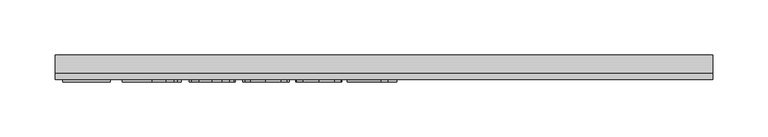
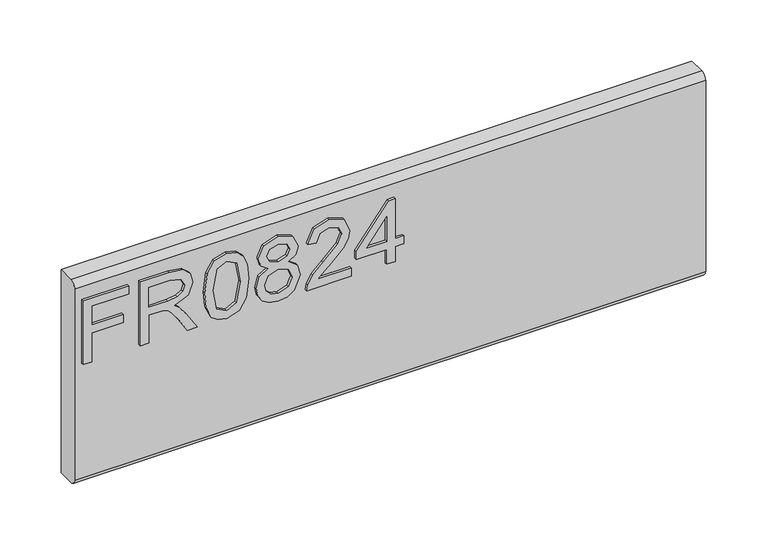
"""IFC4 building model written with IfcOpenShell, lengths in millimetres: furniture geometry."""

import ifcopenshell
import ifcopenshell.guid

model = None  # the IFC model being written
_history = None  # IfcOwnerHistory: only IFC2X3 demands one
_inside = {}  # id of a spatial element -> (the spatial element, [elements in it])
_under = {}  # id of a project, library or spatial element -> (it, [spatial elements below it])
_declared = {}  # id of a project -> (the project, [libraries it declares])
_typed = {}  # id of a type object -> (the type object, [elements of that type])
_made_of = {}  # id of a material, layer set ... -> (it, [elements and type objects made of it])


def new_model(schema):
    """Start an empty IFC model of exactly this schema.

    Asked for "IFC4X3", IfcOpenShell would pick the latest addendum, in which some entities
    have other attributes; the version numbers below select the first issue.
    IFC2X3 requires an IfcOwnerHistory on every rooted entity: one is made here for all.
    """
    global model, _history
    if schema == "IFC4X3":
        model = ifcopenshell.file(schema_version=(4, 3, 0, 0))
    else:
        model = ifcopenshell.file(schema=schema)
    _inside.clear()
    _under.clear()
    _declared.clear()
    _typed.clear()
    _made_of.clear()
    _history = None
    if model.schema == "IFC2X3":
        org = make("IfcOrganization", Name="unknown")
        user = make(
            "IfcPersonAndOrganization",
            ThePerson=make("IfcPerson", FamilyName="unknown"),
            TheOrganization=org,
        )
        app = make(
            "IfcApplication",
            ApplicationDeveloper=org,
            Version="unknown",
            ApplicationFullName="unknown",
            ApplicationIdentifier="unknown",
        )
        _history = make(
            "IfcOwnerHistory",
            OwningUser=user,
            OwningApplication=app,
            ChangeAction="ADDED",
            CreationDate=0,
        )
    return model


def make(cls, **values):
    """One entity of the class cls with the attributes given. An attribute that is None is left unset."""
    return model.create_entity(
        cls, **{name: value for name, value in values.items() if value is not None}
    )


def rooted(cls, **values):
    """An entity with a GlobalId (a new one), such as an element, a storey or a relation."""
    return make(cls, GlobalId=ifcopenshell.guid.new(), OwnerHistory=_history, **values)


def si_unit(unit_type, name, prefix=None):
    """IfcSIUnit, for example si_unit("LENGTHUNIT", "METRE", prefix="MILLI")."""
    return make("IfcSIUnit", UnitType=unit_type, Prefix=prefix, Name=name)


def assignment(units):
    """IfcUnitAssignment: the units of a project."""
    return None if units is None else make("IfcUnitAssignment", Units=units)


def point(xyz):
    """IfcCartesianPoint."""
    return None if xyz is None else make("IfcCartesianPoint", Coordinates=xyz)


def direction(xyz):
    """IfcDirection."""
    return None if xyz is None else make("IfcDirection", DirectionRatios=xyz)


def frame(location, z_axis=None, x_axis=None):
    """IfcAxis2Placement3D, a coordinate frame: its origin and axes. An axis left out is left unset."""
    return make(
        "IfcAxis2Placement3D",
        Location=point(location),
        Axis=direction(z_axis),
        RefDirection=direction(x_axis),
    )


def origin():
    """The frame at (0, 0, 0) with its axes left unset."""
    return frame((0.0, 0.0, 0.0))


def place(relative_to, where):
    """IfcLocalPlacement: puts the frame where relative to a parent placement (None: the world)."""
    return make(
        "IfcLocalPlacement", PlacementRelTo=relative_to, RelativePlacement=where
    )


def context(
    kind, dimensions, precision=None, world=None, true_north=None, identifier=None
):
    """IfcGeometricRepresentationContext, for example the 3D "Model" context."""
    return make(
        "IfcGeometricRepresentationContext",
        ContextIdentifier=identifier,
        ContextType=kind,
        CoordinateSpaceDimension=dimensions,
        Precision=precision,
        WorldCoordinateSystem=world,
        TrueNorth=true_north,
    )


def project(units=None, contexts=None):
    """IfcProject with its units and contexts."""
    return rooted(
        "IfcProject",
        Name="project",
        RepresentationContexts=contexts,
        UnitsInContext=assignment(units),
    )


def spatial(cls, under=None, at=None, **own):
    """A site, building, storey or space (cls), placed at a placement, below another one or the project."""
    s = rooted(cls, ObjectPlacement=at, **own)
    if under is not None:
        _under.setdefault(under.id(), (under, []))[1].append(s)
    return s


def polyline(points):
    """IfcPolyline through the points."""
    return make("IfcPolyline", Points=[point(p) for p in points])


def circle_curve(where, radius):
    """IfcCircle in the frame where."""
    return make("IfcCircle", Position=where, Radius=radius)


def outline(outer, holes=None, kind="AREA"):
    """IfcArbitraryClosedProfileDef: a profile drawn as a closed curve; with holes, ...WithVoids."""
    if holes is None:
        return make("IfcArbitraryClosedProfileDef", ProfileType=kind, OuterCurve=outer)
    return make(
        "IfcArbitraryProfileDefWithVoids",
        ProfileType=kind,
        OuterCurve=outer,
        InnerCurves=holes,
    )


def extrude(swept, where, along, depth):
    """IfcExtrudedAreaSolid: the profile swept, set in the frame where, extruded along a direction by depth."""
    return make(
        "IfcExtrudedAreaSolid",
        SweptArea=swept,
        Position=where,
        ExtrudedDirection=direction(along),
        Depth=depth,
    )


def shape(context_of_items, identifier, shape_type, items):
    """IfcShapeRepresentation: the items that make up one representation, for example the "Body"."""
    return make(
        "IfcShapeRepresentation",
        ContextOfItems=context_of_items,
        RepresentationIdentifier=identifier,
        RepresentationType=shape_type,
        Items=items,
    )


def source(mapping_origin, context_of_items, identifier, shape_type, items):
    """IfcRepresentationMap: a shape defined once, which mapped items show again and again."""
    return make(
        "IfcRepresentationMap",
        MappingOrigin=mapping_origin,
        MappedRepresentation=shape(context_of_items, identifier, shape_type, items),
    )


def transform(
    local_origin,
    x_axis=None,
    y_axis=None,
    z_axis=None,
    scale=None,
    scale2=None,
    scale3=None,
    uniform=True,
):
    """IfcCartesianTransformationOperator3D, or its non-uniform kind. x_axis, y_axis, z_axis: its Axis1, 2, 3."""
    if uniform:
        return make(
            "IfcCartesianTransformationOperator3D",
            Axis1=direction(x_axis),
            Axis2=direction(y_axis),
            LocalOrigin=point(local_origin),
            Scale=scale,
            Axis3=direction(z_axis),
        )
    return make(
        "IfcCartesianTransformationOperator3DnonUniform",
        Axis1=direction(x_axis),
        Axis2=direction(y_axis),
        LocalOrigin=point(local_origin),
        Scale=scale,
        Axis3=direction(z_axis),
        Scale2=scale2,
        Scale3=scale3,
    )


def mapped(mapping_source, mapping_target):
    """IfcMappedItem: shows the shape of a source again, moved by a transform."""
    return make(
        "IfcMappedItem", MappingSource=mapping_source, MappingTarget=mapping_target
    )


def made_of(thing, what):
    """Note that an element or type object is made of a material, layer set ...; save() writes the relation."""
    if what is not None:
        _made_of.setdefault(what.id(), (what, []))[1].append(thing)
    return thing


def element(
    cls,
    number,
    at=None,
    inside=None,
    cuts=None,
    type_object=None,
    material=None,
    context=None,
    identifier="Body",
    shape_type=None,
    held_by="IfcProductDefinitionShape",
    body=None,
    shapes=None,
    **own,
):
    """One element of the class cls, such as IfcWall. Its Tag is "e" and its number.

    at: its placement. inside: the storey or other place that contains it. cuts: it is an
    opening in that element (IfcRelVoidsElement). A single representation is given by context,
    identifier, shape_type and body (its items); several are given by shapes. held_by: the class
    of the entity that holds the representations. save() writes the other relations.
    """
    e = rooted(cls, Tag="e%d" % number, ObjectPlacement=at, **own)
    if body is not None:
        shapes = [shape(context, identifier, shape_type, body)]
    if shapes is not None:
        e.Representation = make(held_by, Representations=shapes)
    if inside is not None:
        _inside.setdefault(inside.id(), (inside, []))[1].append(e)
    if cuts is not None:
        rooted(
            "IfcRelVoidsElement", RelatingBuildingElement=cuts, RelatedOpeningElement=e
        )
    if type_object is not None:
        _typed.setdefault(type_object.id(), (type_object, []))[1].append(e)
    return made_of(e, material)


def aggregate(whole, parts):
    """IfcRelAggregates: a whole, such as a stair, and the parts it consists of."""
    return rooted("IfcRelAggregates", RelatingObject=whole, RelatedObjects=parts)


def save(model, path):
    """Write the relations noted so far, then the file.

    IfcRelAggregates (storeys below a building ...), IfcRelContainedInSpatialStructure (elements
    in a storey), IfcRelDefinesByType, IfcRelAssociatesMaterial and IfcRelDeclares: one each for
    every whole, place, type object, material and project.
    """
    for whole, parts in _under.values():
        aggregate(whole, parts)
    for where, things in _inside.values():
        rooted(
            "IfcRelContainedInSpatialStructure",
            RelatedElements=things,
            RelatingStructure=where,
        )
    for kind, things in _typed.values():
        rooted("IfcRelDefinesByType", RelatedObjects=things, RelatingType=kind)
    for what, things in _made_of.values():
        rooted("IfcRelAssociatesMaterial", RelatedObjects=things, RelatingMaterial=what)
    for by, libraries in _declared.values():
        rooted("IfcRelDeclares", RelatingContext=by, RelatedDefinitions=libraries)
    model.write(path)


def plane_surface(at):
    """IfcPlane: the flat surface through the origin of the frame at, square to its z axis."""
    return make("IfcPlane", Position=at)


def cylinder_surface(at, radius):
    """IfcCylindricalSurface: all points at the distance radius from the z axis of the frame at."""
    return make("IfcCylindricalSurface", Position=at, Radius=radius)


def advanced_brep(points, edges, surfaces, faces):
    """IfcAdvancedBrep: a solid bounded by faces that lie on surfaces and meet in shared edges.

    An edge is (start, end): straight between two places in points (the first is 0);
    or (start, end, curve); or (start, end, curve, False) where it runs against its curve.
    A face is (place in surfaces, loops), or (place, loops, False) where it looks against
    its surface's normal. A loop lists edges by number (the first is 1), with a minus sign
    where the edge is run from its end to its start. The first loop is the outer one.
    """
    corners = [point(p) for p in points]
    vertices = [make("IfcVertexPoint", VertexGeometry=c) for c in corners]
    made = []
    for start, end, *more in edges:
        made.append(
            make(
                "IfcEdgeCurve",
                EdgeStart=vertices[start],
                EdgeEnd=vertices[end],
                EdgeGeometry=more[0] if more else make("IfcPolyline", Points=[corners[start], corners[end]]),
                SameSense=more[1] if len(more) > 1 else True,
            )
        )
    hull = []
    for where, loops, *sense in faces:
        bounds = []
        for j, loop in enumerate(loops):
            ring = [make("IfcOrientedEdge", EdgeElement=made[abs(k) - 1], Orientation=k > 0) for k in loop]
            bounds.append(
                make(
                    "IfcFaceOuterBound" if j == 0 else "IfcFaceBound",
                    Bound=make("IfcEdgeLoop", EdgeList=ring),
                    Orientation=True,
                )
            )
        hull.append(make("IfcAdvancedFace", Bounds=bounds, FaceSurface=surfaces[where], SameSense=sense[0] if sense else True))
    return make("IfcAdvancedBrep", Outer=make("IfcClosedShell", CfsFaces=hull))


def furniture_bd4099a9(model_context):
    return source(origin(), model_context, "Body", "SolidModel", [
        extrude(outline(polyline([(679.45, -291.4729953), (679.45, -283.4992757), (708.3547336, -283.4992757), (708.3547336, -253.5978271), (716.3284532, -253.5978271), (716.3284532, -283.4992757), (735.2660373, -283.4992757), (735.2660373, -248.6142524), (743.2397569, -248.6142524), (743.2397569, -291.4729953), (679.45, -291.4729953)])), frame((0.0, -15.0812439, 0.0), z_axis=(0.0, 1.0, 0.0), x_axis=(0.0, 0.0, 1.0)), (0.0, 0.0, 1.0), 2.38125),
        extrude(outline(polyline([(679.45, -237.6503879), (679.45, -229.6766683), (707.3580187, -229.6766683), (707.3580187, -220.0521395), (707.0776926, -215.4267592), (705.5592596, -211.6345703), (701.42445, -207.4218923), (692.6720468, -201.4260289), (679.45, -193.1252622), (679.45, -183.8589278), (696.736775, -194.4957452), (704.9440996, -200.9588187), (708.3547336, -205.490757), (714.2883023, -192.136334), (725.7816716, -187.8146403), (735.4295609, -190.4232302), (741.5188663, -197.4002349), (743.2397569, -210.1628584), (743.2397569, -237.6503879), (679.45, -237.6503879)]), holes=[polyline([(715.3317383, -229.6766683), (735.2660373, -229.6766683), (735.2660373, -209.8202376), (732.5094975, -199.1600597), (725.4857719, -195.7883599), (720.0739211, -197.5559716), (716.4608294, -202.7264304), (715.3317383, -211.8292412), (715.3317383, -229.6766683)])]), frame((0.0, -15.0812439, 0.0), z_axis=(0.0, 1.0, 0.0), x_axis=(0.0, 0.0, 1.0)), (0.0, 0.0, 1.0), 2.38125),
        extrude(outline(polyline([(710.8309473, -176.8507758), (695.3156775, -175.2622614), (684.5270168, -170.496718), (679.971718, -164.2049549), (678.453285, -155.9197618), (681.9495742, -144.2472953), (692.5552443, -137.3092248), (710.8309473, -134.9887478), (725.8206058, -136.4370992), (735.2582505, -140.1747803), (741.1840324, -146.6067065), (743.2397569, -155.9197618), (739.7668283, -167.5455073), (729.1845188, -174.5069383), (710.8309473, -176.8507758)]), holes=[polyline([(710.846521, -168.8770562), (730.9988514, -165.0147858), (735.2660373, -156.0132039), (730.4226256, -146.5755591), (710.846521, -142.9624674), (691.0601718, -146.7001485), (686.4270047, -155.9197618), (691.0445982, -165.1393751), (710.846521, -168.8770562)])]), frame((0.0, -15.0812439, 0.0), z_axis=(0.0, 1.0, 0.0), x_axis=(0.0, 0.0, 1.0)), (0.0, 0.0, 1.0), 2.38125),
        extrude(outline(polyline([(714.5842021, -116.3937845), (708.7907964, -124.990451), (698.2318474, -128.0117432), (690.4742125, -126.5711786), (684.1143145, -122.2494848), (679.8685424, -115.5761668), (678.453285, -107.0807292), (679.8627023, -98.5852916), (684.090954, -91.9119735), (698.013816, -86.1497152), (708.3313731, -89.0542048), (714.5842021, -97.5340688), (719.513269, -90.4714089), (727.0275653, -88.1431451), (738.5209346, -93.3758986), (743.2397569, -107.1897449), (738.6299503, -120.8790018), (727.2455967, -126.0183133), (719.5366295, -123.6589021), (714.5842021, -116.3937845)]), holes=[polyline([(727.0119916, -118.0445936), (732.8365446, -115.1712513), (735.2660373, -107.0807292), (732.7820368, -99.0135675), (726.6537972, -96.1168647), (720.7358022, -98.9201255), (718.3218831, -106.9872871), (720.7513758, -115.2179723), (727.0119916, -118.0445936)]), polyline([(698.5121735, -120.0380235), (706.9686769, -116.6663237), (710.3481635, -107.2831869), (706.9219559, -97.6275108), (698.2629947, -94.1234348), (689.7675571, -97.5184951), (686.4270047, -107.0184345), (688.0155191, -113.9954391), (692.5085232, -118.7064747), (698.5121735, -120.0380235)])]), frame((0.0, -15.0812439, 0.0), z_axis=(0.0, 1.0, 0.0), x_axis=(0.0, 0.0, 1.0)), (0.0, 0.0, 1.0), 2.38125),
        extrude(outline(polyline([(687.4237196, -38.3073975), (687.4237196, -69.6260501), (691.4806609, -66.0285321), (699.150694, -56.8556398), (710.0756243, -45.432352), (717.8936072, -40.7213165), (725.4546245, -39.3041124), (738.1315928, -44.5602264), (743.2397569, -58.833496), (738.645524, -73.0600446), (725.2988878, -79.1727105), (724.3021729, -71.1989909), (732.3537608, -67.8428648), (735.2660373, -59.0048064), (732.2836793, -50.5249425), (724.9718407, -47.277832), (715.9391115, -50.7196133), (702.65477, -64.4867386), (693.4117962, -74.4694618), (684.9475059, -79.3128735), (679.45, -80.1694255), (679.45, -38.3073975), (687.4237196, -38.3073975)])), frame((0.0, -15.0812439, 0.0), z_axis=(0.0, 1.0, 0.0), x_axis=(0.0, 0.0, 1.0)), (0.0, 0.0, 1.0), 2.38125),
        extrude(outline(polyline([(679.45, -4.4190891), (679.45, 3.5546305), (694.4007243, 3.5546305), (694.4007243, 11.5283502), (702.3744439, 11.5283502), (702.3744439, 3.5546305), (742.243042, 3.5546305), (742.243042, -2.4256592), (702.3744439, -33.3238227), (694.4007243, -33.3238227), (694.4007243, -4.4190891), (679.45, -4.4190891)]), holes=[polyline([(702.3744439, -4.4190891), (702.3744439, -23.5124099), (727.0119916, -4.4190891), (702.3744439, -4.4190891)])]), frame((0.0, -15.0812439, 0.0), z_axis=(0.0, 1.0, 0.0), x_axis=(0.0, 0.0, 1.0)), (0.0, 0.0, 1.0), 2.38125),
        advanced_brep(
        [(298.45, 9.5250061, 762.0), (298.45, -6.7309939, 762.0), (298.45, -12.6999939, 756.031), (298.45, -12.6999939, 564.769), (298.45, -6.7309939, 558.8), (298.45, 9.5250061, 558.8), (-298.45, 9.5250061, 762.0), (-298.45, 9.5250061, 558.8), (-298.45, -6.7309939, 558.8), (-298.45, -12.6999939, 564.769), (-298.45, -12.6999939, 756.0310121), (-298.45, -6.7309939, 762.0)],
        [
            (0, 1),
            (1, 2, circle_curve(frame((298.45, -6.7309939, 756.031), z_axis=(1.0, 0.0, 0.0), x_axis=(0.0, 1.0, 0.0)), 5.969)),
            (2, 3),
            (3, 4, circle_curve(frame((298.45, -6.7309939, 564.769), z_axis=(1.0, 0.0, 0.0), x_axis=(0.0, 1.0, 0.0)), 5.969)),
            (4, 5),
            (5, 0),
            (6, 7),
            (7, 8),
            (8, 9, circle_curve(frame((-298.45, -6.7309939, 564.769), z_axis=(-1.0, 0.0, 0.0), x_axis=(0.0, 1.0, 0.0)), 5.969)),
            (9, 10),
            (10, 11, circle_curve(frame((-298.45, -6.7309939, 756.031), z_axis=(-1.0, 0.0, 0.0), x_axis=(0.0, 1.0, 0.0)), 5.969)),
            (11, 6),
            (0, 6),
            (11, 1),
            (10, 2),
            (9, 3),
            (8, 4),
            (7, 5),
        ],
        [
            plane_surface(frame((298.45, -6.7309939, 762.0), z_axis=(1.0, 0.0, 0.0), x_axis=(0.0, -1.0, 0.0))),
            plane_surface(frame((-298.45, -6.7309939, 762.0), z_axis=(-1.0, 0.0, 0.0), x_axis=(0.0, 1.0, 0.0))),
            plane_surface(frame((298.45, 9.5250061, 762.0), z_axis=(0.0, 0.0, 1.0), x_axis=(-1.0, 0.0, 0.0))),
            cylinder_surface(frame((-298.45, -6.7309939, 756.031), z_axis=(1.0, 0.0, 0.0), x_axis=(0.0, 1.0, 0.0)), 5.969),
            plane_surface(frame((298.45, -12.6999939, 756.0310121), z_axis=(0.0, -1.0, 0.0), x_axis=(-1.0, 0.0, 0.0))),
            cylinder_surface(frame((-298.45, -6.7309939, 564.769), z_axis=(1.0, 0.0, 0.0), x_axis=(0.0, 1.0, 0.0)), 5.969),
            plane_surface(frame((298.45, -6.7309939, 558.8), z_axis=(0.0, 0.0, -1.0), x_axis=(-1.0, 0.0, 0.0))),
            plane_surface(frame((298.45, 9.5250061, 558.8), z_axis=(0.0, 1.0, 0.0), x_axis=(-1.0, 0.0, 0.0))),
        ],
        [
            (0, [[1, 2, 3, 4, 5, 6]]),
            (1, [[7, 8, 9, 10, 11, 12]]),
            (2, [[-1, 13, -12, 14]]),
            (3, [[-2, -14, -11, 15]]),
            (4, [[-3, -15, -10, 16]]),
            (5, [[-4, -16, -9, 17]]),
            (6, [[-5, -17, -8, 18]]),
            (7, [[-6, -18, -7, -13]]),
        ],
    ),
    ])


if __name__ == "__main__":
    model = new_model("IFC4")
    model_context = context("Model", 3, world=origin())
    ifc_project = project(units=[si_unit("LENGTHUNIT", "METRE", prefix="MILLI")], contexts=[model_context])
    site = spatial("IfcSite", under=ifc_project)
    building = spatial("IfcBuilding", under=site)
    placement = place(None, origin())
    furniture_shape = furniture_bd4099a9(model_context)
    element("IfcFurniture", 1, at=placement, inside=building, context=model_context, shape_type="MappedRepresentation", body=[
        mapped(furniture_shape, transform((0.0, 0.0, 0.0), x_axis=(1.0, 0.0, 0.0), y_axis=(0.0, 1.0, 0.0), z_axis=(0.0, 0.0, 1.0))),
    ])
    save(model, "model.ifc")
